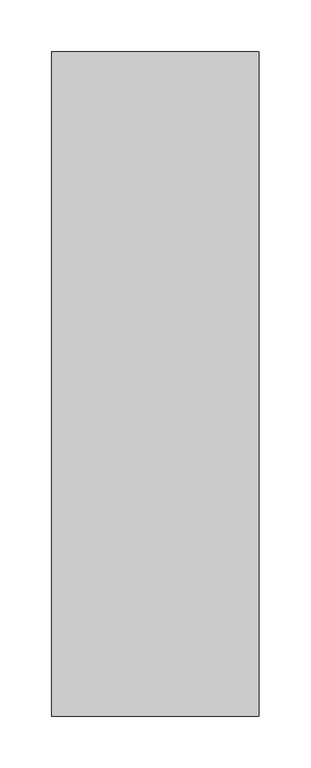
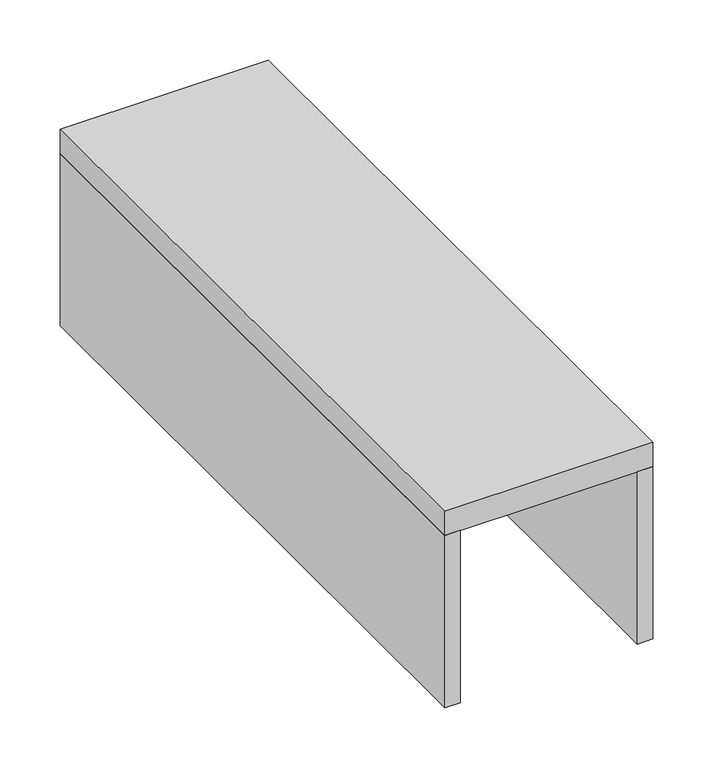
"""IFC4 building model written with IfcOpenShell, lengths in millimetres: beam geometry."""

from ifc_helpers import new_model, si_unit, frame, origin, place, context, project, spatial, polyline, outline, extrude, source, transform, mapped, element, save


def beam_56f5b5e1(model_context):
    return source(origin(), model_context, "Body", "SweptSolid", [
        extrude(outline(polyline([(-1394.8443109, -1636.1219314), (-1409.8443109, -1636.1219314), (-1409.8443109, -996.1219314), (-1394.8443109, -996.1219314), (-1394.8443109, -1636.1219314)])), frame((0.0, 0.0, 9.999841), z_axis=(0.0, 0.0, 1.0), x_axis=(1.0, 0.0, 0.0)), (0.0, 0.0, 1.0), 175.000007),
        extrude(outline(polyline([(-1579.8443109, -1636.1219314), (-1594.8443109, -1636.1219314), (-1594.8443109, -996.1219314), (-1579.8443109, -996.1219314), (-1579.8443109, -1636.1219314)])), frame((0.0, 0.0, 9.999841), z_axis=(0.0, 0.0, 1.0), x_axis=(1.0, 0.0, 0.0)), (0.0, 0.0, 1.0), 175.000007),
        extrude(outline(polyline([(-1394.8443109, -1636.1219314), (-1594.8443109, -1636.1219314), (-1594.8443109, -996.1219314), (-1394.8443109, -996.1219314), (-1394.8443109, -1636.1219314)])), frame((0.0, 0.0, 184.999848), z_axis=(0.0, 0.0, 1.0), x_axis=(1.0, 0.0, 0.0)), (0.0, 0.0, 1.0), 25.000006),
    ])


if __name__ == "__main__":
    model = new_model("IFC4")
    model_context = context("Model", 3, world=origin())
    ifc_project = project(units=[si_unit("LENGTHUNIT", "METRE", prefix="MILLI")], contexts=[model_context])
    site = spatial("IfcSite", under=ifc_project)
    building = spatial("IfcBuilding", under=site)
    placement = place(None, origin())
    beam_shape = beam_56f5b5e1(model_context)
    element("IfcBeam", 1, at=placement, inside=building, context=model_context, shape_type="MappedRepresentation", body=[
        mapped(beam_shape, transform((0.0, 0.0, 0.0), x_axis=(1.0, 0.0, 0.0), y_axis=(0.0, 1.0, 0.0), z_axis=(0.0, 0.0, 1.0))),
    ])
    save(model, "model.ifc")
